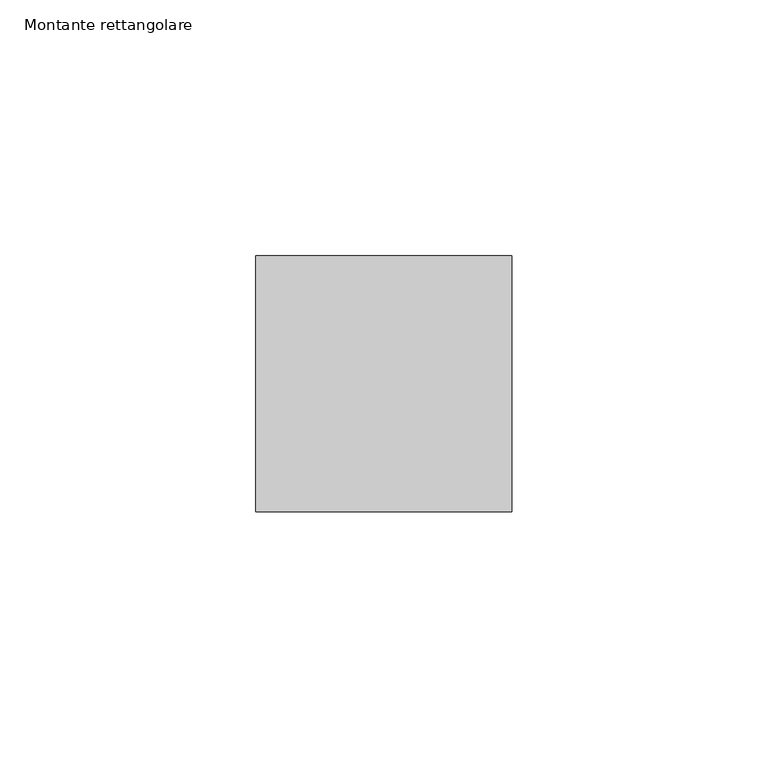
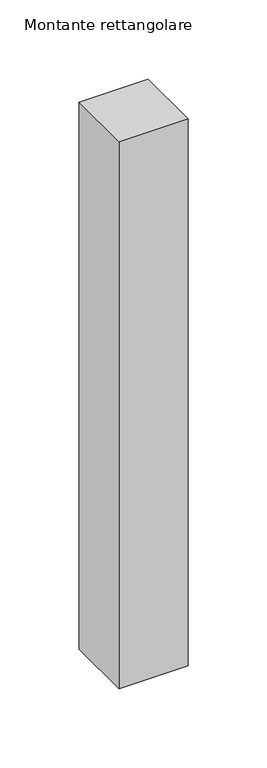
"""IFC4 building model written with IfcOpenShell, lengths in millimetres: member geometry, Montante rettangolare."""

from ifc_helpers import new_model, si_unit, frame, origin, place, context, project, spatial, polyline, outline, extrude, source, transform, mapped, element, save


def montante_rettangolare_f8a16b1b(model_context):
    return source(origin(), model_context, "Body", "SweptSolid", [
        extrude(outline(polyline([(0.0, 25.0), (0.0, -25.0), (-50.0, -25.0), (-50.0, 25.0), (0.0, 25.0)])), frame((0.0, 0.0, -420.0), z_axis=(0.0, 0.0, 1.0), x_axis=(1.0, 0.0, 0.0)), (0.0, 0.0, 1.0), 420.0),
    ])


if __name__ == "__main__":
    model = new_model("IFC4")
    model_context = context("Model", 3, world=origin())
    ifc_project = project(units=[si_unit("LENGTHUNIT", "METRE", prefix="MILLI")], contexts=[model_context])
    site = spatial("IfcSite", under=ifc_project)
    building = spatial("IfcBuilding", under=site)
    placement = place(None, origin())
    montante_rettangolare_shape = montante_rettangolare_f8a16b1b(model_context)
    element("IfcMember", 1, ObjectType="Montante rettangolare", at=placement, inside=building, context=model_context, shape_type="MappedRepresentation", body=[
        mapped(montante_rettangolare_shape, transform((0.0, 0.0, 0.0), x_axis=(1.0, 0.0, 0.0), y_axis=(0.0, 1.0, 0.0), z_axis=(0.0, 0.0, 1.0))),
    ])
    save(model, "model.ifc")
